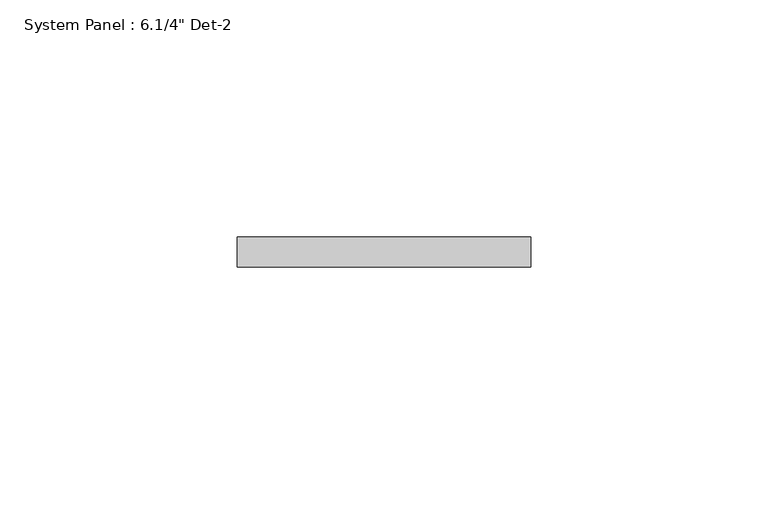
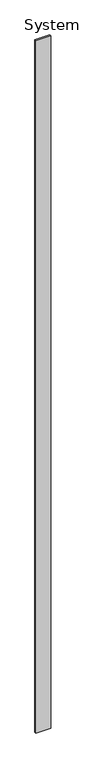
"""IFC4 building model written with IfcOpenShell, lengths in millimetres: plate geometry."""

from ifc_helpers import new_model, si_unit, origin, origin_with_axes, place, context, project, spatial, polyline, outline, extrude, source, transform, mapped, element, save


def plate_99dcd5ea(model_context):
    return source(origin(), model_context, "Body", "SweptSolid", [
        extrude(outline(polyline([(30.9178602, -6.35), (-30.9178602, -6.35), (-30.9178602, 0.0), (30.9178602, 0.0), (30.9178602, -6.35)])), origin_with_axes(), (0.0, 0.0, 1.0), 3048.0),
    ])


if __name__ == "__main__":
    model = new_model("IFC4")
    model_context = context("Model", 3, world=origin())
    ifc_project = project(units=[si_unit("LENGTHUNIT", "METRE", prefix="MILLI")], contexts=[model_context])
    site = spatial("IfcSite", under=ifc_project)
    building = spatial("IfcBuilding", under=site)
    placement = place(None, origin())
    plate_shape = plate_99dcd5ea(model_context)
    element("IfcPlate", 1, ObjectType="System Panel : 6.1/4\" Det-2", at=placement, inside=building, context=model_context, shape_type="MappedRepresentation", body=[
        mapped(plate_shape, transform((0.0, 0.0, 0.0), x_axis=(1.0, 0.0, 0.0), y_axis=(0.0, 1.0, 0.0), z_axis=(0.0, 0.0, 1.0))),
    ])
    save(model, "model.ifc")
